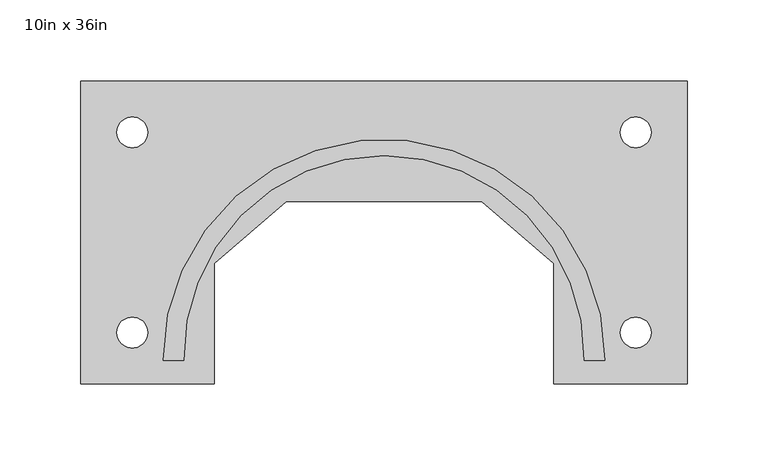
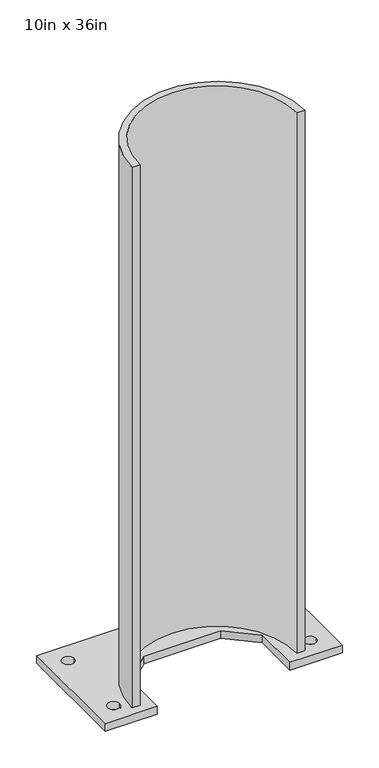
"""IFC4 building model written with IfcOpenShell, lengths in millimetres: proxy geometry, 10in x 36in."""

from ifc_helpers import new_model, si_unit, point, frame, frame_2d, origin, origin_with_axes, place, context, project, spatial, polyline, circle_curve, trimmed, segment, composite_curve, outline, extrude, source, transform, mapped, element, save


def proxy_10in_x_36in_42629bf6(model_context):
    return source(origin(), model_context, "Body", "SweptSolid", [
        extrude(outline(composite_curve([segment(polyline([(136.525, -79.2274394), (123.7906229, -79.2274394)]), True, "CONTINUOUS"), segment(trimmed(circle_curve(frame_2d((0.0, -76.3098539)), 123.825), [point((123.7906229, -79.2274394))], [point((-123.7906229, -79.2274394))], True, "CARTESIAN"), True, "CONTINUOUS"), segment(polyline([(-123.7906229, -79.2274394), (-136.525, -79.2274394)]), True, "CONTINUOUS"), segment(trimmed(circle_curve(frame_2d((0.0, -79.2274394)), 136.525), [point((-136.525, -79.2274394))], [point((136.525, -79.2274394))], False, "CARTESIAN"), True, "CONTINUOUS")], self_intersect=False)), frame((0.0, 0.0, 12.7), z_axis=(0.0, 0.0, 1.0), x_axis=(1.0, 0.0, 0.0)), (0.0, 0.0, 1.0), 901.7),
        extrude(outline(polyline([(-187.325, 93.6625), (187.325, 93.6625), (187.325, -93.6625), (104.775, -93.6625), (104.775, -19.05), (60.325, 19.05), (-60.325, 19.05), (-104.775, -19.05), (-104.775, -93.6625), (-187.325, -93.6625), (-187.325, 93.6625)]), holes=[composite_curve([segment(trimmed(circle_curve(frame_2d((-155.575, -61.9125)), 9.525), [point((-165.1, -61.9125))], [point((-146.05, -61.9125))], True, "CARTESIAN"), True, "CONTINUOUS"), segment(trimmed(circle_curve(frame_2d((-155.575, -61.9125)), 9.525), [point((-146.05, -61.9125))], [point((-165.1, -61.9125))], True, "CARTESIAN"), True, "CONTINUOUS")], self_intersect=False), composite_curve([segment(trimmed(circle_curve(frame_2d((155.575, -61.9125)), 9.525), [point((146.05, -61.9125))], [point((165.1, -61.9125))], True, "CARTESIAN"), True, "CONTINUOUS"), segment(trimmed(circle_curve(frame_2d((155.575, -61.9125)), 9.525), [point((165.1, -61.9125))], [point((146.05, -61.9125))], True, "CARTESIAN"), True, "CONTINUOUS")], self_intersect=False), composite_curve([segment(trimmed(circle_curve(frame_2d((155.575, 61.9125)), 9.525), [point((146.05, 61.9125))], [point((165.1, 61.9125))], True, "CARTESIAN"), True, "CONTINUOUS"), segment(trimmed(circle_curve(frame_2d((155.575, 61.9125)), 9.525), [point((165.1, 61.9125))], [point((146.05, 61.9125))], True, "CARTESIAN"), True, "CONTINUOUS")], self_intersect=False), composite_curve([segment(trimmed(circle_curve(frame_2d((-155.575, 61.9125)), 9.525), [point((-165.1, 61.9125))], [point((-146.05, 61.9125))], True, "CARTESIAN"), True, "CONTINUOUS"), segment(trimmed(circle_curve(frame_2d((-155.575, 61.9125)), 9.525), [point((-146.05, 61.9125))], [point((-165.1, 61.9125))], True, "CARTESIAN"), True, "CONTINUOUS")], self_intersect=False)]), origin_with_axes(), (0.0, 0.0, 1.0), 12.7),
    ])


if __name__ == "__main__":
    model = new_model("IFC4")
    model_context = context("Model", 3, world=origin())
    ifc_project = project(units=[si_unit("LENGTHUNIT", "METRE", prefix="MILLI")], contexts=[model_context])
    site = spatial("IfcSite", under=ifc_project)
    building = spatial("IfcBuilding", under=site)
    placement = place(None, origin())
    proxy_10in_x_36in_shape = proxy_10in_x_36in_42629bf6(model_context)
    element("IfcBuildingElementProxy", 1, Name="10in x 36in", ObjectType="10in x 36in", at=placement, inside=building, context=model_context, shape_type="MappedRepresentation", body=[
        mapped(proxy_10in_x_36in_shape, transform((0.0, 0.0, 0.0), x_axis=(1.0, 0.0, 0.0), y_axis=(0.0, 1.0, 0.0), z_axis=(0.0, 0.0, 1.0))),
    ])
    save(model, "model.ifc")
